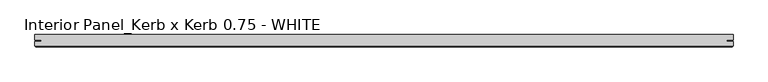
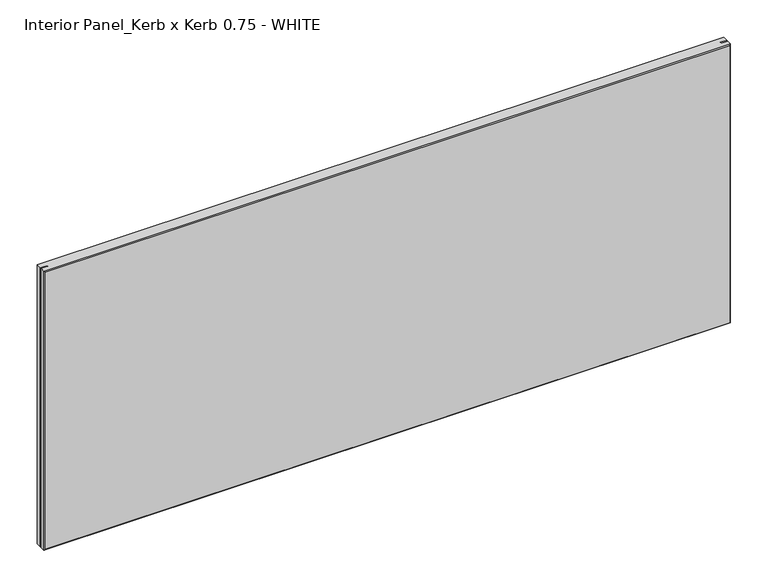
"""IFC4 building model written with IfcOpenShell, lengths in millimetres: proxy geometry, Interior Panel_Kerb x Kerb 0.75 - WHITE."""

from ifc_helpers import new_model, si_unit, origin, place, context, project, spatial, faceted_brep, source, transform, mapped, element, save


def interior_panel_kerb_x_kerb_0_75_white_c255eda8(model_context):
    return source(origin(), model_context, "Body", "Brep", [
        faceted_brep([(990.6, 3.175, 457.2), (-73.025, 3.175, 457.2), (-73.025, -5.2832, 457.2), (-63.2023437, -5.2832, 457.2), (-63.2023437, -7.4168, 457.2), (-73.025, -7.4168, 457.2), (-73.025, -14.2875, 457.2), (990.6, -14.2875, 457.2), (990.6, -7.4168, 457.2), (980.7773437, -7.4168, 457.2), (980.7773437, -5.2832, 457.2), (990.6, -5.2832, 457.2), (990.6, 3.175, 0.0), (990.6, -5.2832, 0.0), (980.7773437, -5.2832, 0.0), (980.7773437, -7.4168, 0.0), (990.6, -7.4168, 0.0), (990.6, -14.2875, 0.0), (-73.025, -14.2875, 0.0), (-73.025, -7.4168, 0.0), (-63.2023437, -7.4168, 0.0), (-63.2023437, -5.2832, 0.0), (-73.025, -5.2832, 0.0), (-73.025, 3.175, 0.0), (-71.4375, -15.875, 455.6125), (-71.4375, -15.875, 1.5875), (989.0125, -15.875, 1.5875), (989.0125, -15.875, 455.6125)], [[[0, 1, 2, 3, 4, 5, 6, 7, 8, 9, 10, 11]], [[12, 13, 14, 15, 16, 17, 18, 19, 20, 21, 22, 23]], [[1, 0, 12, 23]], [[24, 25, 26, 27]], [[8, 7, 17, 16]], [[6, 18, 25, 24]], [[17, 7, 27, 26]], [[7, 6, 24, 27]], [[18, 17, 26, 25]], [[9, 8, 16, 15]], [[4, 3, 21, 20]], [[11, 10, 14, 13]], [[0, 11, 13, 12]], [[2, 1, 23, 22]], [[3, 2, 22, 21]], [[5, 4, 20, 19]], [[6, 5, 19, 18]], [[10, 9, 15, 14]]]),
    ])


if __name__ == "__main__":
    model = new_model("IFC4")
    model_context = context("Model", 3, world=origin())
    ifc_project = project(units=[si_unit("LENGTHUNIT", "METRE", prefix="MILLI")], contexts=[model_context])
    site = spatial("IfcSite", under=ifc_project)
    building = spatial("IfcBuilding", under=site)
    placement = place(None, origin())
    interior_panel_kerb_x_kerb_0_75_white_shape = interior_panel_kerb_x_kerb_0_75_white_c255eda8(model_context)
    element("IfcBuildingElementProxy", 1, Name="Interior Panel_Kerb x Kerb 0.75 - WHITE", ObjectType="Interior Panel_Kerb x Kerb 0.75 - WHITE", at=placement, inside=building, context=model_context, shape_type="MappedRepresentation", body=[
        mapped(interior_panel_kerb_x_kerb_0_75_white_shape, transform((0.0, 0.0, 0.0), x_axis=(1.0, 0.0, 0.0), y_axis=(0.0, 1.0, 0.0), z_axis=(0.0, 0.0, 1.0))),
    ])
    save(model, "model.ifc")
